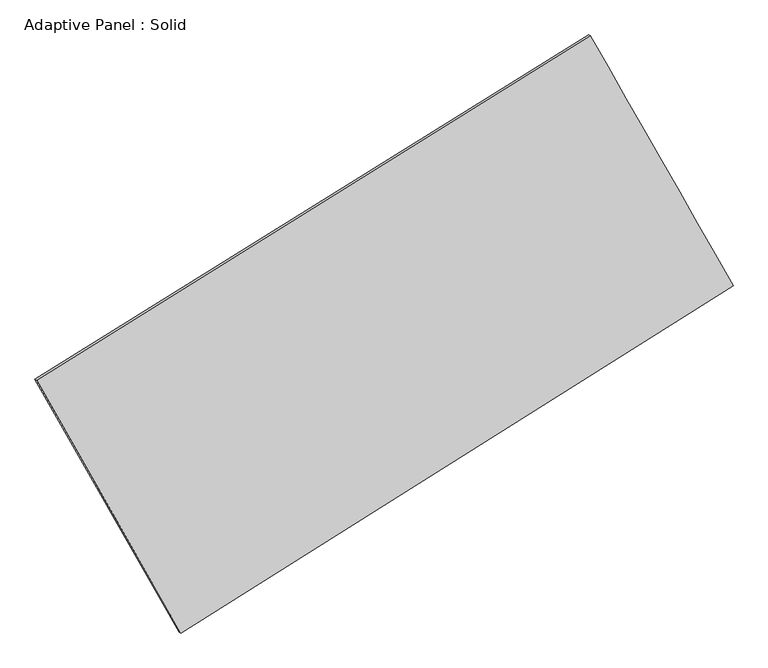
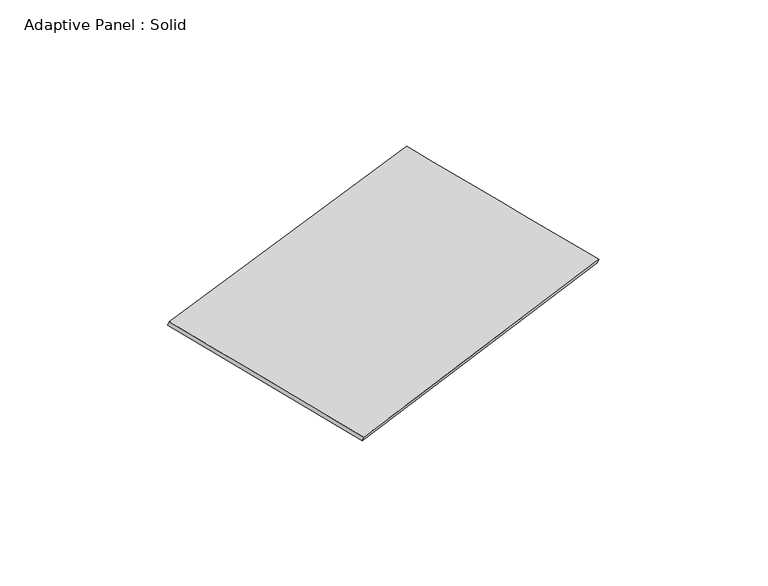
"""IFC4 building model written with IfcOpenShell, lengths in millimetres: plate geometry, Adaptive Panel : Solid."""

import ifcopenshell
import ifcopenshell.guid

model = None  # the IFC model being written
_history = None  # IfcOwnerHistory: only IFC2X3 demands one
_inside = {}  # id of a spatial element -> (the spatial element, [elements in it])
_under = {}  # id of a project, library or spatial element -> (it, [spatial elements below it])
_declared = {}  # id of a project -> (the project, [libraries it declares])
_typed = {}  # id of a type object -> (the type object, [elements of that type])
_made_of = {}  # id of a material, layer set ... -> (it, [elements and type objects made of it])


def new_model(schema):
    """Start an empty IFC model of exactly this schema.

    Asked for "IFC4X3", IfcOpenShell would pick the latest addendum, in which some entities
    have other attributes; the version numbers below select the first issue.
    IFC2X3 requires an IfcOwnerHistory on every rooted entity: one is made here for all.
    """
    global model, _history
    if schema == "IFC4X3":
        model = ifcopenshell.file(schema_version=(4, 3, 0, 0))
    else:
        model = ifcopenshell.file(schema=schema)
    _inside.clear()
    _under.clear()
    _declared.clear()
    _typed.clear()
    _made_of.clear()
    _history = None
    if model.schema == "IFC2X3":
        org = make("IfcOrganization", Name="unknown")
        user = make(
            "IfcPersonAndOrganization",
            ThePerson=make("IfcPerson", FamilyName="unknown"),
            TheOrganization=org,
        )
        app = make(
            "IfcApplication",
            ApplicationDeveloper=org,
            Version="unknown",
            ApplicationFullName="unknown",
            ApplicationIdentifier="unknown",
        )
        _history = make(
            "IfcOwnerHistory",
            OwningUser=user,
            OwningApplication=app,
            ChangeAction="ADDED",
            CreationDate=0,
        )
    return model


def make(cls, **values):
    """One entity of the class cls with the attributes given. An attribute that is None is left unset."""
    return model.create_entity(
        cls, **{name: value for name, value in values.items() if value is not None}
    )


def rooted(cls, **values):
    """An entity with a GlobalId (a new one), such as an element, a storey or a relation."""
    return make(cls, GlobalId=ifcopenshell.guid.new(), OwnerHistory=_history, **values)


def si_unit(unit_type, name, prefix=None):
    """IfcSIUnit, for example si_unit("LENGTHUNIT", "METRE", prefix="MILLI")."""
    return make("IfcSIUnit", UnitType=unit_type, Prefix=prefix, Name=name)


def assignment(units):
    """IfcUnitAssignment: the units of a project."""
    return None if units is None else make("IfcUnitAssignment", Units=units)


def point(xyz):
    """IfcCartesianPoint."""
    return None if xyz is None else make("IfcCartesianPoint", Coordinates=xyz)


def direction(xyz):
    """IfcDirection."""
    return None if xyz is None else make("IfcDirection", DirectionRatios=xyz)


def frame(location, z_axis=None, x_axis=None):
    """IfcAxis2Placement3D, a coordinate frame: its origin and axes. An axis left out is left unset."""
    return make(
        "IfcAxis2Placement3D",
        Location=point(location),
        Axis=direction(z_axis),
        RefDirection=direction(x_axis),
    )


def origin():
    """The frame at (0, 0, 0) with its axes left unset."""
    return frame((0.0, 0.0, 0.0))


def place(relative_to, where):
    """IfcLocalPlacement: puts the frame where relative to a parent placement (None: the world)."""
    return make(
        "IfcLocalPlacement", PlacementRelTo=relative_to, RelativePlacement=where
    )


def context(
    kind, dimensions, precision=None, world=None, true_north=None, identifier=None
):
    """IfcGeometricRepresentationContext, for example the 3D "Model" context."""
    return make(
        "IfcGeometricRepresentationContext",
        ContextIdentifier=identifier,
        ContextType=kind,
        CoordinateSpaceDimension=dimensions,
        Precision=precision,
        WorldCoordinateSystem=world,
        TrueNorth=true_north,
    )


def project(units=None, contexts=None):
    """IfcProject with its units and contexts."""
    return rooted(
        "IfcProject",
        Name="project",
        RepresentationContexts=contexts,
        UnitsInContext=assignment(units),
    )


def spatial(cls, under=None, at=None, **own):
    """A site, building, storey or space (cls), placed at a placement, below another one or the project."""
    s = rooted(cls, ObjectPlacement=at, **own)
    if under is not None:
        _under.setdefault(under.id(), (under, []))[1].append(s)
    return s


def shape(context_of_items, identifier, shape_type, items):
    """IfcShapeRepresentation: the items that make up one representation, for example the "Body"."""
    return make(
        "IfcShapeRepresentation",
        ContextOfItems=context_of_items,
        RepresentationIdentifier=identifier,
        RepresentationType=shape_type,
        Items=items,
    )


def source(mapping_origin, context_of_items, identifier, shape_type, items):
    """IfcRepresentationMap: a shape defined once, which mapped items show again and again."""
    return make(
        "IfcRepresentationMap",
        MappingOrigin=mapping_origin,
        MappedRepresentation=shape(context_of_items, identifier, shape_type, items),
    )


def transform(
    local_origin,
    x_axis=None,
    y_axis=None,
    z_axis=None,
    scale=None,
    scale2=None,
    scale3=None,
    uniform=True,
):
    """IfcCartesianTransformationOperator3D, or its non-uniform kind. x_axis, y_axis, z_axis: its Axis1, 2, 3."""
    if uniform:
        return make(
            "IfcCartesianTransformationOperator3D",
            Axis1=direction(x_axis),
            Axis2=direction(y_axis),
            LocalOrigin=point(local_origin),
            Scale=scale,
            Axis3=direction(z_axis),
        )
    return make(
        "IfcCartesianTransformationOperator3DnonUniform",
        Axis1=direction(x_axis),
        Axis2=direction(y_axis),
        LocalOrigin=point(local_origin),
        Scale=scale,
        Axis3=direction(z_axis),
        Scale2=scale2,
        Scale3=scale3,
    )


def mapped(mapping_source, mapping_target):
    """IfcMappedItem: shows the shape of a source again, moved by a transform."""
    return make(
        "IfcMappedItem", MappingSource=mapping_source, MappingTarget=mapping_target
    )


def made_of(thing, what):
    """Note that an element or type object is made of a material, layer set ...; save() writes the relation."""
    if what is not None:
        _made_of.setdefault(what.id(), (what, []))[1].append(thing)
    return thing


def element(
    cls,
    number,
    at=None,
    inside=None,
    cuts=None,
    type_object=None,
    material=None,
    context=None,
    identifier="Body",
    shape_type=None,
    held_by="IfcProductDefinitionShape",
    body=None,
    shapes=None,
    **own,
):
    """One element of the class cls, such as IfcWall. Its Tag is "e" and its number.

    at: its placement. inside: the storey or other place that contains it. cuts: it is an
    opening in that element (IfcRelVoidsElement). A single representation is given by context,
    identifier, shape_type and body (its items); several are given by shapes. held_by: the class
    of the entity that holds the representations. save() writes the other relations.
    """
    e = rooted(cls, Tag="e%d" % number, ObjectPlacement=at, **own)
    if body is not None:
        shapes = [shape(context, identifier, shape_type, body)]
    if shapes is not None:
        e.Representation = make(held_by, Representations=shapes)
    if inside is not None:
        _inside.setdefault(inside.id(), (inside, []))[1].append(e)
    if cuts is not None:
        rooted(
            "IfcRelVoidsElement", RelatingBuildingElement=cuts, RelatedOpeningElement=e
        )
    if type_object is not None:
        _typed.setdefault(type_object.id(), (type_object, []))[1].append(e)
    return made_of(e, material)


def aggregate(whole, parts):
    """IfcRelAggregates: a whole, such as a stair, and the parts it consists of."""
    return rooted("IfcRelAggregates", RelatingObject=whole, RelatedObjects=parts)


def save(model, path):
    """Write the relations noted so far, then the file.

    IfcRelAggregates (storeys below a building ...), IfcRelContainedInSpatialStructure (elements
    in a storey), IfcRelDefinesByType, IfcRelAssociatesMaterial and IfcRelDeclares: one each for
    every whole, place, type object, material and project.
    """
    for whole, parts in _under.values():
        aggregate(whole, parts)
    for where, things in _inside.values():
        rooted(
            "IfcRelContainedInSpatialStructure",
            RelatedElements=things,
            RelatingStructure=where,
        )
    for kind, things in _typed.values():
        rooted("IfcRelDefinesByType", RelatedObjects=things, RelatingType=kind)
    for what, things in _made_of.values():
        rooted("IfcRelAssociatesMaterial", RelatedObjects=things, RelatingMaterial=what)
    for by, libraries in _declared.values():
        rooted("IfcRelDeclares", RelatingContext=by, RelatedDefinitions=libraries)
    model.write(path)


def plane_surface(at):
    """IfcPlane: the flat surface through the origin of the frame at, square to its z axis."""
    return make("IfcPlane", Position=at)


def spline_surface(u_degree, v_degree, points, u_multiplicities, v_multiplicities, u_knots, v_knots, weights=None):
    """IfcBSplineSurfaceWithKnots; with weights, IfcRationalBSplineSurfaceWithKnots. points: one row for each step in u."""
    own = dict(
        UDegree=u_degree,
        VDegree=v_degree,
        ControlPointsList=[[point(p) for p in row] for row in points],
        SurfaceForm="UNSPECIFIED",
        UClosed=False,
        VClosed=False,
        SelfIntersect=False,
        UMultiplicities=u_multiplicities,
        VMultiplicities=v_multiplicities,
        UKnots=u_knots,
        VKnots=v_knots,
        KnotSpec="UNSPECIFIED",
    )
    if weights is None:
        return make("IfcBSplineSurfaceWithKnots", **own)
    return make("IfcRationalBSplineSurfaceWithKnots", WeightsData=weights, **own)


def advanced_brep(points, edges, surfaces, faces):
    """IfcAdvancedBrep: a solid bounded by faces that lie on surfaces and meet in shared edges.

    An edge is (start, end): straight between two places in points (the first is 0);
    or (start, end, curve); or (start, end, curve, False) where it runs against its curve.
    A face is (place in surfaces, loops), or (place, loops, False) where it looks against
    its surface's normal. A loop lists edges by number (the first is 1), with a minus sign
    where the edge is run from its end to its start. The first loop is the outer one.
    """
    corners = [point(p) for p in points]
    vertices = [make("IfcVertexPoint", VertexGeometry=c) for c in corners]
    made = []
    for start, end, *more in edges:
        made.append(
            make(
                "IfcEdgeCurve",
                EdgeStart=vertices[start],
                EdgeEnd=vertices[end],
                EdgeGeometry=more[0] if more else make("IfcPolyline", Points=[corners[start], corners[end]]),
                SameSense=more[1] if len(more) > 1 else True,
            )
        )
    hull = []
    for where, loops, *sense in faces:
        bounds = []
        for j, loop in enumerate(loops):
            ring = [make("IfcOrientedEdge", EdgeElement=made[abs(k) - 1], Orientation=k > 0) for k in loop]
            bounds.append(
                make(
                    "IfcFaceOuterBound" if j == 0 else "IfcFaceBound",
                    Bound=make("IfcEdgeLoop", EdgeList=ring),
                    Orientation=True,
                )
            )
        hull.append(make("IfcAdvancedFace", Bounds=bounds, FaceSurface=surfaces[where], SameSense=sense[0] if sense else True))
    return make("IfcAdvancedBrep", Outer=make("IfcClosedShell", CfsFaces=hull))


def adaptive_panel_solid_230c45e3(model_context):
    return source(origin(), model_context, "Body", "AdvancedBrep", [
        advanced_brep(
        [(1165.3920219, 2539.7111764, 661.0929437), (-3739.5774626, -512.3058996, 1775.3944867), (-3724.9111068, -518.6859931, 1822.7673948), (1180.0583777, 2533.3310829, 708.4658517), (-2460.5838371, -2753.2694946, 1070.8673248), (-2445.9174813, -2759.6495881, 1118.2402328), (2431.4786998, 325.615645, -22.232235), (2446.1450556, 319.2355516, 25.140673)],
        [
            (0, 1),
            (1, 2),
            (2, 3),
            (3, 0),
            (1, 4),
            (4, 5),
            (5, 2),
            (4, 6),
            (6, 7),
            (7, 5),
            (6, 0),
            (3, 7),
        ],
        [
            plane_surface(frame((-1287.0927204, 1013.7026384, 1218.2437152), z_axis=(-0.46732181216672736, 0.845438568131714, 0.2585419721991056), x_axis=(-0.833686705264033, -0.5187445240131312, 0.18939534385087525))),
            plane_surface(frame((-3100.0806499, -1632.7876971, 1423.1309058), z_axis=(-0.8274243958956304, -0.5303196235714192, 0.18474297261822917), x_axis=(0.4781793803273272, -0.8378326223166231, -0.26340269021371876))),
            plane_surface(frame((-14.5525687, -1213.8269248, 524.3175449), z_axis=(0.4721665597419443, -0.8424067636242943, -0.25963355804190563), x_axis=(0.83159535586875, 0.5233756854299471, -0.18581457423533904))),
            plane_surface(frame((1798.4353608, 1432.6634107, 319.4303543), z_axis=(0.8274874628201822, 0.5302092265923969, -0.18477736579925114), x_axis=(-0.47949134182234454, 0.8385205024348572, 0.25878836935573907))),
            spline_surface(1, 1, [[(-3724.9111068, -518.6859931, 1822.7673948), (1180.0583777, 2533.3310829, 708.4658517)], [(-2445.9174813, -2759.6495881, 1118.2402328), (2446.1450556, 319.2355516, 25.140673)]], [2, 2], [2, 2], [0.0, 1.0], [0.0, 1.0]),
            spline_surface(1, 1, [[(2431.4786998, 325.615645, -22.232235), (1165.3920219, 2539.7111764, 661.0929437)], [(-2460.5838371, -2753.2694946, 1070.8673248), (-3739.5774626, -512.3058996, 1775.3944867)]], [2, 2], [2, 2], [0.0, 1.0], [0.0, 1.0]),
        ],
        [
            (0, [[1, 2, 3, 4]]),
            (1, [[5, 6, 7, -2]]),
            (2, [[8, 9, 10, -6]]),
            (3, [[11, -4, 12, -9]]),
            (4, [[-3, -7, -10, -12]]),
            (5, [[-11, -8, -5, -1]]),
        ],
    ),
    ])


if __name__ == "__main__":
    model = new_model("IFC4")
    model_context = context("Model", 3, world=origin())
    ifc_project = project(units=[si_unit("LENGTHUNIT", "METRE", prefix="MILLI")], contexts=[model_context])
    site = spatial("IfcSite", under=ifc_project)
    building = spatial("IfcBuilding", under=site)
    placement = place(None, origin())
    adaptive_panel_solid_shape = adaptive_panel_solid_230c45e3(model_context)
    element("IfcPlate", 1, ObjectType="Adaptive Panel : Solid", at=placement, inside=building, context=model_context, shape_type="MappedRepresentation", body=[
        mapped(adaptive_panel_solid_shape, transform((0.0, 0.0, 0.0), x_axis=(1.0, 0.0, 0.0), y_axis=(0.0, 1.0, 0.0), z_axis=(0.0, 0.0, 1.0))),
    ])
    save(model, "model.ifc")
